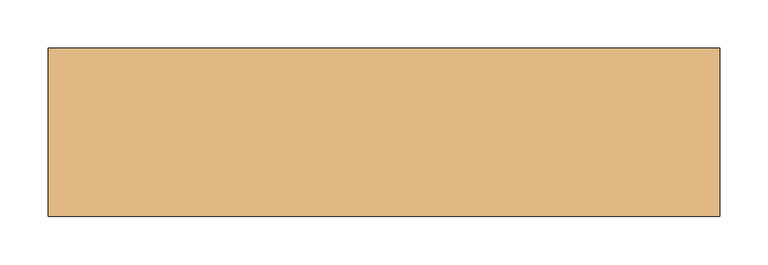
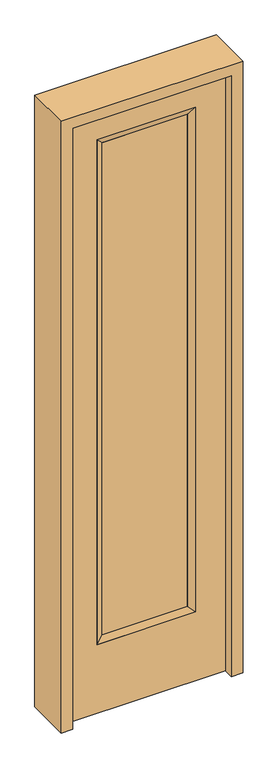
"""IFC4 building model written with IfcOpenShell, lengths in millimetres: door geometry."""

from ifc_helpers import new_model, si_unit, frame, origin, place, context, project, spatial, polyline, outline, extrude, faceted_brep, source, transform, mapped, element, save


def door_b6bde463(model_context):
    return source(origin(), model_context, "Body", "SolidModel", [
        extrude(outline(polyline([(163.9824, -12.7039749), (-163.9824, -12.7039749), (-163.9824, 14.2875), (163.9824, 14.2875), (163.9824, -12.7039749)])), frame((0.0, 0.0, 304.8), z_axis=(0.0, 0.0, 1.0), x_axis=(1.0, 0.0, 0.0)), (0.0, 0.0, 1.0), 1997.5576),
        faceted_brep([(163.9824, 14.2875, 2302.3576), (189.3824, 22.225, 2327.7576), (189.3824, 22.225, 279.4), (163.9824, 14.2875, 304.8), (189.3824, -22.225, 2327.7576), (189.3824, -22.225, 279.4), (-189.3824, 22.225, 279.4), (-163.9824, 14.2875, 304.8), (163.9824, -12.7039749, 2302.3576), (163.9824, -12.7039749, 304.8), (-163.9824, -12.7039749, 304.8), (-189.3824, -22.225, 279.4), (-189.3824, 22.225, 2327.7576), (-163.9824, 14.2875, 2302.3576), (-163.9824, -12.7039749, 2302.3576), (-189.3824, -22.225, 2327.7576)], [[[0, 1, 2, 3]], [[1, 4, 5, 2]], [[3, 2, 6, 7]], [[8, 0, 3, 9]], [[9, 3, 7, 10]], [[4, 8, 9, 5]], [[5, 9, 10, 11]], [[2, 5, 11, 6]], [[7, 6, 12, 13]], [[10, 7, 13, 14]], [[11, 10, 14, 15]], [[6, 11, 15, 12]], [[13, 12, 1, 0]], [[14, 13, 0, 8]], [[15, 14, 8, 4]], [[12, 15, 4, 1]]]),
        extrude(outline(polyline([(0.0, -304.8), (0.0, 304.8), (2438.4, 304.8), (2438.4, -304.8), (0.0, -304.8)]), holes=[polyline([(279.4, -189.3824), (2327.7576, -189.3824), (2327.7576, 189.3824), (279.4, 189.3824), (279.4, -189.3824)])]), frame((0.0, -22.225, 0.0), z_axis=(0.0, 1.0, 0.0), x_axis=(0.0, 0.0, 1.0)), (0.0, 0.0, 1.0), 44.45),
        extrude(outline(polyline([(0.0, -349.25), (0.0, -304.8), (2438.4, -304.8), (2438.4, 304.8), (0.0, 304.8), (0.0, 349.25), (2482.85, 349.25), (2482.85, -349.25), (0.0, -349.25)])), frame((0.0, -61.1, 0.0), z_axis=(0.0, 1.0, 0.0), x_axis=(0.0, 0.0, 1.0)), (0.0, 0.0, 1.0), 175.4),
    ])


if __name__ == "__main__":
    model = new_model("IFC4")
    model_context = context("Model", 3, world=origin())
    ifc_project = project(units=[si_unit("LENGTHUNIT", "METRE", prefix="MILLI")], contexts=[model_context])
    site = spatial("IfcSite", under=ifc_project)
    building = spatial("IfcBuilding", under=site)
    placement = place(None, origin())
    door_shape = door_b6bde463(model_context)
    element("IfcDoor", 1, at=placement, inside=building, context=model_context, shape_type="MappedRepresentation", body=[
        mapped(door_shape, transform((0.0, 0.0, 0.0), x_axis=(1.0, 0.0, 0.0), y_axis=(0.0, 1.0, 0.0), z_axis=(0.0, 0.0, 1.0))),
    ])
    save(model, "model.ifc")
